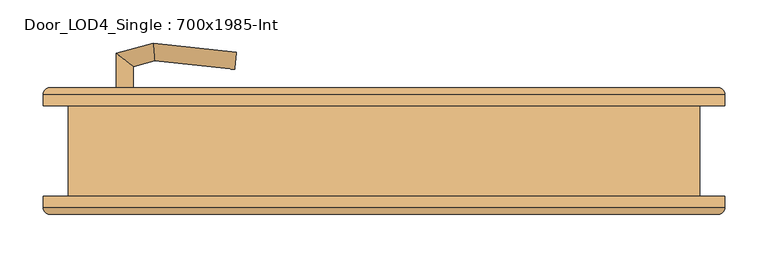
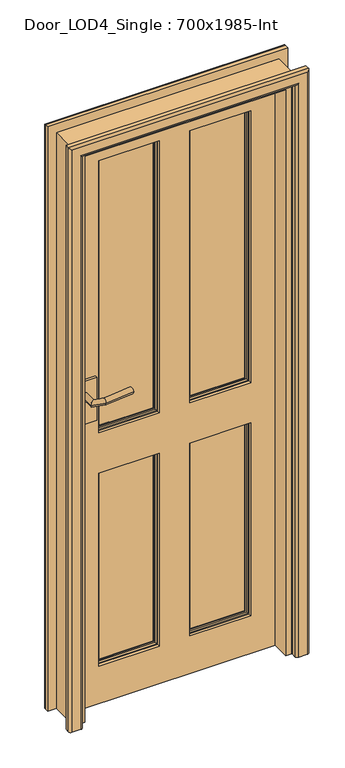
"""IFC4 building model written with IfcOpenShell, lengths in millimetres: door geometry, Door_LOD4_Single : 700x1985-Int."""

from ifc_helpers import new_model, si_unit, frame, origin, place, context, project, spatial, polyline, circle_curve, ellipse_curve, outline, extrude, faceted_brep, source, transform, mapped, element, save
from ifc_brep_helpers import plane_surface, cylinder_surface, advanced_brep


def door_lod4_single_700x1985_int_3958c648(model_context):
    return source(origin(), model_context, "Body", "SolidModel", [
        advanced_brep(
        [(250.000014, 22.5, 130.0), (250.000014, 22.5, 800.0), (50.0, 22.5, 800.0), (50.0, 22.5, 130.0), (53.6443449, 22.5, 133.6443449), (53.6443449, 22.5, 796.3556551), (246.3556691, 22.5, 796.3556551), (246.3556691, 22.5, 133.6443449), (250.000014, 42.5, 130.0), (50.0, 42.5, 130.0), (50.0, 42.5, 800.0), (250.000014, 42.5, 800.0), (53.6443449, 42.5, 796.3556551), (53.6443449, 42.5, 133.6443449), (246.3556691, 42.5, 133.6443449), (246.3556691, 42.5, 796.3556551), (60.5, 34.8125, 789.5), (60.5, 34.8125, 140.5), (60.5, 37.8125, 140.5), (60.5, 37.8125, 789.5), (239.500014, 34.8125, 140.5), (239.500014, 37.8125, 140.5), (239.500014, 34.8125, 789.5), (239.500014, 37.8125, 789.5), (55.9375, 37.8125, 135.9375), (55.9375, 37.8125, 794.0625), (244.062514, 37.8125, 794.0625), (244.062514, 37.8125, 135.9375), (60.5, 27.1875, 789.5), (60.5, 27.1875, 140.5), (60.5, 30.1875, 140.5), (60.5, 30.1875, 789.5), (239.500014, 27.1875, 140.5), (239.500014, 30.1875, 140.5), (239.500014, 27.1875, 789.5), (239.500014, 30.1875, 789.5), (55.9375, 27.1875, 794.0625), (55.9375, 27.1875, 135.9375), (244.062514, 27.1875, 135.9375), (244.062514, 27.1875, 794.0625)],
        [
            (0, 1),
            (1, 2),
            (2, 3),
            (3, 0),
            (4, 5),
            (5, 6),
            (6, 7),
            (7, 4),
            (8, 9),
            (9, 10),
            (10, 11),
            (11, 8),
            (12, 13),
            (13, 14),
            (14, 15),
            (15, 12),
            (0, 8),
            (11, 1),
            (10, 2),
            (9, 3),
            (16, 17),
            (17, 18),
            (18, 19),
            (19, 16),
            (17, 20),
            (20, 21),
            (21, 18),
            (20, 22),
            (22, 23),
            (23, 21),
            (24, 25),
            (25, 26),
            (26, 27),
            (27, 24),
            (23, 19),
            (22, 16),
            (24, 13, ellipse_curve(frame((50.0, 37.8125, 130.0), z_axis=(-0.7071067811865475, 0.0, 0.7071067811865475), x_axis=(-0.7071067811865474, 0.0, -0.7071067811865476)), 8.396893, 5.9375)),
            (12, 25, ellipse_curve(frame((50.0, 37.8125, 800.0), z_axis=(-0.7071067811865475, 0.0, -0.7071067811865475), x_axis=(0.7071067811865474, 0.0, -0.7071067811865476)), 8.396893, 5.9375)),
            (27, 14, ellipse_curve(frame((250.000014, 37.8125, 130.0), z_axis=(-0.7071067811865475, 0.0, -0.7071067811865475), x_axis=(0.7071067811865476, 0.0, -0.7071067811865474)), 8.396893, 5.9375)),
            (26, 15, ellipse_curve(frame((250.000014, 37.8125, 800.0), z_axis=(0.7071067811865475, 0.0, -0.7071067811865475), x_axis=(0.7071067811865474, 0.0, 0.7071067811865476)), 8.396893, 5.9375)),
            (28, 29),
            (29, 30),
            (30, 31),
            (31, 28),
            (29, 32),
            (32, 33),
            (33, 30),
            (32, 34),
            (34, 35),
            (35, 33),
            (36, 37),
            (37, 38),
            (38, 39),
            (39, 36),
            (28, 34),
            (31, 35),
            (36, 5, ellipse_curve(frame((50.0, 27.1875, 800.0), z_axis=(-0.7071067811865475, 0.0, -0.7071067811865475), x_axis=(0.7071067811865474, 0.0, -0.7071067811865476)), 8.396893, 5.9375)),
            (4, 37, ellipse_curve(frame((50.0, 27.1875, 130.0), z_axis=(-0.7071067811865475, 0.0, 0.7071067811865475), x_axis=(-0.7071067811865474, 0.0, -0.7071067811865476)), 8.396893, 5.9375)),
            (7, 38, ellipse_curve(frame((250.000014, 27.1875, 130.0), z_axis=(-0.7071067811865475, 0.0, -0.7071067811865475), x_axis=(0.7071067811865476, 0.0, -0.7071067811865474)), 8.396893, 5.9375)),
            (6, 39, ellipse_curve(frame((250.000014, 27.1875, 800.0), z_axis=(0.7071067811865475, 0.0, -0.7071067811865475), x_axis=(0.7071067811865474, 0.0, 0.7071067811865476)), 8.396893, 5.9375)),
        ],
        [
            plane_surface(frame((250.000014, 22.5, 130.0), z_axis=(0.0, -1.0, 0.0), x_axis=(0.0, 0.0, 1.0))),
            plane_surface(frame((250.000014, 42.5, 130.0), z_axis=(0.0, 1.0, 0.0), x_axis=(0.0, 0.0, -1.0))),
            plane_surface(frame((250.000014, 22.5, 130.0), z_axis=(1.0, 0.0, 0.0), x_axis=(0.0, 1.0, 0.0))),
            plane_surface(frame((250.000014, 22.5, 800.0), z_axis=(0.0, 0.0, 1.0), x_axis=(0.0, 1.0, 0.0))),
            plane_surface(frame((50.0, 22.5, 800.0), z_axis=(-1.0, 0.0, 0.0), x_axis=(0.0, 1.0, 0.0))),
            plane_surface(frame((50.0, 22.5, 130.0), z_axis=(0.0, 0.0, -1.0), x_axis=(0.0, 1.0, 0.0))),
            plane_surface(frame((60.5, 37.8125, 789.5), z_axis=(1.0, 0.0, 0.0), x_axis=(0.0, 0.0, -1.0))),
            plane_surface(frame((60.5, 37.8125, 140.5), z_axis=(0.0, 0.0, 1.0), x_axis=(1.0, 0.0, 0.0))),
            plane_surface(frame((239.500014, 37.8125, 140.5), z_axis=(-1.0, 0.0, 0.0), x_axis=(0.0, 0.0, 1.0))),
            plane_surface(frame((244.062514, 37.8125, 794.0625), z_axis=(0.0, 1.0, 0.0), x_axis=(-1.0, 0.0, 0.0))),
            plane_surface(frame((239.500014, 37.8125, 789.5), z_axis=(0.0, 0.0, -1.0), x_axis=(-1.0, 0.0, 0.0))),
            plane_surface(frame((239.500014, 34.8125, 789.5), z_axis=(0.0, 1.0, 0.0), x_axis=(-1.0, 0.0, 0.0))),
            cylinder_surface(frame((50.0, 37.8125, 800.0), z_axis=(0.0, 0.0, -1.0), x_axis=(-1.0, 0.0, 0.0)), 5.9375),
            cylinder_surface(frame((50.0, 37.8125, 130.0), z_axis=(1.0, 0.0, 0.0), x_axis=(0.0, 0.0, -1.0)), 5.9375),
            cylinder_surface(frame((250.000014, 37.8125, 130.0), z_axis=(0.0, 0.0, 1.0), x_axis=(1.0, 0.0, 0.0)), 5.9375),
            cylinder_surface(frame((250.000014, 37.8125, 800.0), z_axis=(-1.0, 0.0, 0.0), x_axis=(0.0, 0.0, 1.0)), 5.9375),
            plane_surface(frame((60.5, 30.1875, 789.5), z_axis=(1.0, 0.0, 0.0), x_axis=(0.0, 0.0, -1.0))),
            plane_surface(frame((60.5, 30.1875, 140.5), z_axis=(0.0, 0.0, 1.0), x_axis=(1.0, 0.0, 0.0))),
            plane_surface(frame((239.500014, 30.1875, 140.5), z_axis=(-1.0, 0.0, 0.0), x_axis=(0.0, 0.0, 1.0))),
            plane_surface(frame((239.500014, 27.1875, 789.5), z_axis=(0.0, -1.0, 0.0), x_axis=(-1.0, 0.0, 0.0))),
            plane_surface(frame((239.500014, 30.1875, 789.5), z_axis=(0.0, 0.0, -1.0), x_axis=(-1.0, 0.0, 0.0))),
            plane_surface(frame((216.5442616, 30.1875, 766.5442476), z_axis=(0.0, -1.0, 0.0), x_axis=(-1.0, 0.0, 0.0))),
            cylinder_surface(frame((50.0, 27.1875, 800.0), z_axis=(0.0, 0.0, -1.0), x_axis=(1.0, 0.0, 0.0)), 5.9375),
            cylinder_surface(frame((50.0, 27.1875, 130.0), z_axis=(1.0, 0.0, 0.0), x_axis=(0.0, 0.0, 1.0)), 5.9375),
            cylinder_surface(frame((250.000014, 27.1875, 130.0), z_axis=(0.0, 0.0, 1.0), x_axis=(-1.0, 0.0, 0.0)), 5.9375),
            cylinder_surface(frame((250.000014, 27.1875, 800.0), z_axis=(-1.0, 0.0, 0.0), x_axis=(0.0, 0.0, -1.0)), 5.9375),
        ],
        [
            (0, [[1, 2, 3, 4], [5, 6, 7, 8]]),
            (1, [[9, 10, 11, 12], [13, 14, 15, 16]]),
            (2, [[-1, 17, -12, 18]]),
            (3, [[-2, -18, -11, 19]]),
            (4, [[-3, -19, -10, 20]]),
            (5, [[-4, -20, -9, -17]]),
            (6, [[21, 22, 23, 24]]),
            (7, [[-22, 25, 26, 27]]),
            (8, [[-26, 28, 29, 30]]),
            (9, [[31, 32, 33, 34], [-23, -27, -30, 35]]),
            (10, [[-24, -35, -29, 36]]),
            (11, [[-21, -36, -28, -25]]),
            (12, [[-31, 37, -13, 38]]),
            (13, [[-34, 39, -14, -37]]),
            (14, [[-33, 40, -15, -39]]),
            (15, [[-32, -38, -16, -40]]),
            (16, [[41, 42, 43, 44]]),
            (17, [[-42, 45, 46, 47]]),
            (18, [[-46, 48, 49, 50]]),
            (19, [[51, 52, 53, 54], [-41, 55, -48, -45]]),
            (20, [[-44, 56, -49, -55]]),
            (21, [[-43, -47, -50, -56]]),
            (22, [[-51, 57, -5, 58]]),
            (23, [[-52, -58, -8, 59]]),
            (24, [[-53, -59, -7, 60]]),
            (25, [[-54, -60, -6, -57]]),
        ],
    ),
        advanced_brep(
        [(-50.0, 22.5, 130.0), (-50.0, 22.5, 800.0), (-250.000014, 22.5, 800.0), (-250.000014, 22.5, 130.0), (-246.3556691, 22.5, 133.6443449), (-246.3556691, 22.5, 796.3556551), (-53.6443449, 22.5, 796.3556551), (-53.6443449, 22.5, 133.6443449), (-50.0, 42.5, 130.0), (-250.000014, 42.5, 130.0), (-250.000014, 42.5, 800.0), (-50.0, 42.5, 800.0), (-246.3556691, 42.5, 796.3556551), (-246.3556691, 42.5, 133.6443449), (-53.6443449, 42.5, 133.6443449), (-53.6443449, 42.5, 796.3556551), (-239.500014, 34.8125, 789.5), (-239.500014, 34.8125, 140.5), (-239.500014, 37.8125, 140.5), (-239.500014, 37.8125, 789.5), (-60.5, 34.8125, 140.5), (-60.5, 37.8125, 140.5), (-60.5, 34.8125, 789.5), (-60.5, 37.8125, 789.5), (-244.062514, 37.8125, 135.9375), (-244.062514, 37.8125, 794.0625), (-55.9375, 37.8125, 794.0625), (-55.9375, 37.8125, 135.9375), (-239.500014, 27.1875, 789.5), (-239.500014, 27.1875, 140.5), (-239.500014, 30.1875, 140.5), (-239.500014, 30.1875, 789.5), (-60.5, 27.1875, 140.5), (-60.5, 30.1875, 140.5), (-60.5, 27.1875, 789.5), (-60.5, 30.1875, 789.5), (-244.062514, 27.1875, 794.0625), (-244.062514, 27.1875, 135.9375), (-55.9375, 27.1875, 135.9375), (-55.9375, 27.1875, 794.0625)],
        [
            (0, 1),
            (1, 2),
            (2, 3),
            (3, 0),
            (4, 5),
            (5, 6),
            (6, 7),
            (7, 4),
            (8, 9),
            (9, 10),
            (10, 11),
            (11, 8),
            (12, 13),
            (13, 14),
            (14, 15),
            (15, 12),
            (0, 8),
            (11, 1),
            (10, 2),
            (9, 3),
            (16, 17),
            (17, 18),
            (18, 19),
            (19, 16),
            (17, 20),
            (20, 21),
            (21, 18),
            (20, 22),
            (22, 23),
            (23, 21),
            (24, 25),
            (25, 26),
            (26, 27),
            (27, 24),
            (23, 19),
            (22, 16),
            (24, 13, ellipse_curve(frame((-250.000014, 37.8125, 130.0), z_axis=(-0.7071067811865475, 0.0, 0.7071067811865475), x_axis=(-0.7071067811865474, 0.0, -0.7071067811865476)), 8.396893, 5.9375)),
            (12, 25, ellipse_curve(frame((-250.000014, 37.8125, 800.0), z_axis=(-0.7071067811865475, 0.0, -0.7071067811865475), x_axis=(0.7071067811865474, 0.0, -0.7071067811865476)), 8.396893, 5.9375)),
            (27, 14, ellipse_curve(frame((-50.0, 37.8125, 130.0), z_axis=(-0.7071067811865475, 0.0, -0.7071067811865475), x_axis=(0.7071067811865476, 0.0, -0.7071067811865474)), 8.396893, 5.9375)),
            (26, 15, ellipse_curve(frame((-50.0, 37.8125, 800.0), z_axis=(0.7071067811865475, 0.0, -0.7071067811865475), x_axis=(0.7071067811865474, 0.0, 0.7071067811865476)), 8.396893, 5.9375)),
            (28, 29),
            (29, 30),
            (30, 31),
            (31, 28),
            (29, 32),
            (32, 33),
            (33, 30),
            (32, 34),
            (34, 35),
            (35, 33),
            (36, 37),
            (37, 38),
            (38, 39),
            (39, 36),
            (28, 34),
            (31, 35),
            (36, 5, ellipse_curve(frame((-250.000014, 27.1875, 800.0), z_axis=(-0.7071067811865475, 0.0, -0.7071067811865475), x_axis=(0.7071067811865474, 0.0, -0.7071067811865476)), 8.396893, 5.9375)),
            (4, 37, ellipse_curve(frame((-250.000014, 27.1875, 130.0), z_axis=(-0.7071067811865475, 0.0, 0.7071067811865475), x_axis=(-0.7071067811865474, 0.0, -0.7071067811865476)), 8.396893, 5.9375)),
            (7, 38, ellipse_curve(frame((-50.0, 27.1875, 130.0), z_axis=(-0.7071067811865475, 0.0, -0.7071067811865475), x_axis=(0.7071067811865476, 0.0, -0.7071067811865474)), 8.396893, 5.9375)),
            (6, 39, ellipse_curve(frame((-50.0, 27.1875, 800.0), z_axis=(0.7071067811865475, 0.0, -0.7071067811865475), x_axis=(0.7071067811865474, 0.0, 0.7071067811865476)), 8.396893, 5.9375)),
        ],
        [
            plane_surface(frame((-50.0, 22.5, 130.0), z_axis=(0.0, -1.0, 0.0), x_axis=(0.0, 0.0, 1.0))),
            plane_surface(frame((-50.0, 42.5, 130.0), z_axis=(0.0, 1.0, 0.0), x_axis=(0.0, 0.0, -1.0))),
            plane_surface(frame((-50.0, 22.5, 130.0), z_axis=(1.0, 0.0, 0.0), x_axis=(0.0, 1.0, 0.0))),
            plane_surface(frame((-50.0, 22.5, 800.0), z_axis=(0.0, 0.0, 1.0), x_axis=(0.0, 1.0, 0.0))),
            plane_surface(frame((-250.000014, 22.5, 800.0), z_axis=(-1.0, 0.0, 0.0), x_axis=(0.0, 1.0, 0.0))),
            plane_surface(frame((-250.000014, 22.5, 130.0), z_axis=(0.0, 0.0, -1.0), x_axis=(0.0, 1.0, 0.0))),
            plane_surface(frame((-239.500014, 37.8125, 789.5), z_axis=(1.0, 0.0, 0.0), x_axis=(0.0, 0.0, -1.0))),
            plane_surface(frame((-239.500014, 37.8125, 140.5), z_axis=(0.0, 0.0, 1.0), x_axis=(1.0, 0.0, 0.0))),
            plane_surface(frame((-60.5, 37.8125, 140.5), z_axis=(-1.0, 0.0, 0.0), x_axis=(0.0, 0.0, 1.0))),
            plane_surface(frame((-55.9375, 37.8125, 794.0625), z_axis=(0.0, 1.0, 0.0), x_axis=(-1.0, 0.0, 0.0))),
            plane_surface(frame((-60.5, 37.8125, 789.5), z_axis=(0.0, 0.0, -1.0), x_axis=(-1.0, 0.0, 0.0))),
            plane_surface(frame((-60.5, 34.8125, 789.5), z_axis=(0.0, 1.0, 0.0), x_axis=(-1.0, 0.0, 0.0))),
            cylinder_surface(frame((-250.000014, 37.8125, 800.0), z_axis=(0.0, 0.0, -1.0), x_axis=(-1.0, 0.0, 0.0)), 5.9375),
            cylinder_surface(frame((-250.000014, 37.8125, 130.0), z_axis=(1.0, 0.0, 0.0), x_axis=(0.0, 0.0, -1.0)), 5.9375),
            cylinder_surface(frame((-50.0, 37.8125, 130.0), z_axis=(0.0, 0.0, 1.0), x_axis=(1.0, 0.0, 0.0)), 5.9375),
            cylinder_surface(frame((-50.0, 37.8125, 800.0), z_axis=(-1.0, 0.0, 0.0), x_axis=(0.0, 0.0, 1.0)), 5.9375),
            plane_surface(frame((-239.500014, 30.1875, 789.5), z_axis=(1.0, 0.0, 0.0), x_axis=(0.0, 0.0, -1.0))),
            plane_surface(frame((-239.500014, 30.1875, 140.5), z_axis=(0.0, 0.0, 1.0), x_axis=(1.0, 0.0, 0.0))),
            plane_surface(frame((-60.5, 30.1875, 140.5), z_axis=(-1.0, 0.0, 0.0), x_axis=(0.0, 0.0, 1.0))),
            plane_surface(frame((-60.5, 27.1875, 789.5), z_axis=(0.0, -1.0, 0.0), x_axis=(-1.0, 0.0, 0.0))),
            plane_surface(frame((-60.5, 30.1875, 789.5), z_axis=(0.0, 0.0, -1.0), x_axis=(-1.0, 0.0, 0.0))),
            plane_surface(frame((-83.4557524, 30.1875, 766.5442476), z_axis=(0.0, -1.0, 0.0), x_axis=(-1.0, 0.0, 0.0))),
            cylinder_surface(frame((-250.000014, 27.1875, 800.0), z_axis=(0.0, 0.0, -1.0), x_axis=(1.0, 0.0, 0.0)), 5.9375),
            cylinder_surface(frame((-250.000014, 27.1875, 130.0), z_axis=(1.0, 0.0, 0.0), x_axis=(0.0, 0.0, 1.0)), 5.9375),
            cylinder_surface(frame((-50.0, 27.1875, 130.0), z_axis=(0.0, 0.0, 1.0), x_axis=(-1.0, 0.0, 0.0)), 5.9375),
            cylinder_surface(frame((-50.0, 27.1875, 800.0), z_axis=(-1.0, 0.0, 0.0), x_axis=(0.0, 0.0, -1.0)), 5.9375),
        ],
        [
            (0, [[1, 2, 3, 4], [5, 6, 7, 8]]),
            (1, [[9, 10, 11, 12], [13, 14, 15, 16]]),
            (2, [[-1, 17, -12, 18]]),
            (3, [[-2, -18, -11, 19]]),
            (4, [[-3, -19, -10, 20]]),
            (5, [[-4, -20, -9, -17]]),
            (6, [[21, 22, 23, 24]]),
            (7, [[-22, 25, 26, 27]]),
            (8, [[-26, 28, 29, 30]]),
            (9, [[31, 32, 33, 34], [-23, -27, -30, 35]]),
            (10, [[-24, -35, -29, 36]]),
            (11, [[-21, -36, -28, -25]]),
            (12, [[-31, 37, -13, 38]]),
            (13, [[-34, 39, -14, -37]]),
            (14, [[-33, 40, -15, -39]]),
            (15, [[-32, -38, -16, -40]]),
            (16, [[41, 42, 43, 44]]),
            (17, [[-42, 45, 46, 47]]),
            (18, [[-46, 48, 49, 50]]),
            (19, [[51, 52, 53, 54], [-41, 55, -48, -45]]),
            (20, [[-44, 56, -49, -55]]),
            (21, [[-43, -47, -50, -56]]),
            (22, [[-51, 57, -5, 58]]),
            (23, [[-52, -58, -8, 59]]),
            (24, [[-53, -59, -7, 60]]),
            (25, [[-54, -60, -6, -57]]),
        ],
    ),
        advanced_brep(
        [(250.000014, 22.5, 940.0), (250.000014, 22.5, 1885.0000795), (50.0, 22.5, 1885.0000795), (50.0, 22.5, 940.0), (53.6443449, 22.5, 943.6443449), (53.6443449, 22.5, 1881.3557346), (246.3556691, 22.5, 1881.3557346), (246.3556691, 22.5, 943.6443449), (250.000014, 42.5, 940.0), (50.0, 42.5, 940.0), (50.0, 42.5, 1885.0000795), (250.000014, 42.5, 1885.0000795), (53.6443449, 42.5, 1881.3557346), (53.6443449, 42.5, 943.6443449), (246.3556691, 42.5, 943.6443449), (246.3556691, 42.5, 1881.3557346), (60.5, 34.8125, 1874.5000795), (60.5, 34.8125, 950.5), (60.5, 37.8125, 950.5), (60.5, 37.8125, 1874.5000795), (239.500014, 34.8125, 950.5), (239.500014, 37.8125, 950.5), (239.500014, 34.8125, 1874.5000795), (239.500014, 37.8125, 1874.5000795), (55.9375, 37.8125, 945.9375), (55.9375, 37.8125, 1879.0625795), (244.062514, 37.8125, 1879.0625795), (244.062514, 37.8125, 945.9375), (60.5, 27.1875, 1874.5000795), (60.5, 27.1875, 950.5), (60.5, 30.1875, 950.5), (60.5, 30.1875, 1874.5000795), (239.500014, 27.1875, 950.5), (239.500014, 30.1875, 950.5), (239.500014, 27.1875, 1874.5000795), (239.500014, 30.1875, 1874.5000795), (55.9375, 27.1875, 1879.0625795), (55.9375, 27.1875, 945.9375), (244.062514, 27.1875, 945.9375), (244.062514, 27.1875, 1879.0625795)],
        [
            (0, 1),
            (1, 2),
            (2, 3),
            (3, 0),
            (4, 5),
            (5, 6),
            (6, 7),
            (7, 4),
            (8, 9),
            (9, 10),
            (10, 11),
            (11, 8),
            (12, 13),
            (13, 14),
            (14, 15),
            (15, 12),
            (0, 8),
            (11, 1),
            (10, 2),
            (9, 3),
            (16, 17),
            (17, 18),
            (18, 19),
            (19, 16),
            (17, 20),
            (20, 21),
            (21, 18),
            (20, 22),
            (22, 23),
            (23, 21),
            (24, 25),
            (25, 26),
            (26, 27),
            (27, 24),
            (23, 19),
            (22, 16),
            (24, 13, ellipse_curve(frame((50.0, 37.8125, 940.0), z_axis=(-0.7071067811865475, 0.0, 0.7071067811865475), x_axis=(-0.7071067811865474, 0.0, -0.7071067811865476)), 8.396893, 5.9375)),
            (12, 25, ellipse_curve(frame((50.0, 37.8125, 1885.0000795), z_axis=(-0.7071067811865475, 0.0, -0.7071067811865475), x_axis=(0.7071067811865474, 0.0, -0.7071067811865476)), 8.396893, 5.9375)),
            (27, 14, ellipse_curve(frame((250.000014, 37.8125, 940.0), z_axis=(-0.7071067811865475, 0.0, -0.7071067811865475), x_axis=(0.7071067811865476, 0.0, -0.7071067811865474)), 8.396893, 5.9375)),
            (26, 15, ellipse_curve(frame((250.000014, 37.8125, 1885.0000795), z_axis=(0.7071067811865475, 0.0, -0.7071067811865475), x_axis=(0.7071067811865474, 0.0, 0.7071067811865476)), 8.396893, 5.9375)),
            (28, 29),
            (29, 30),
            (30, 31),
            (31, 28),
            (29, 32),
            (32, 33),
            (33, 30),
            (32, 34),
            (34, 35),
            (35, 33),
            (36, 37),
            (37, 38),
            (38, 39),
            (39, 36),
            (28, 34),
            (31, 35),
            (36, 5, ellipse_curve(frame((50.0, 27.1875, 1885.0000795), z_axis=(-0.7071067811865475, 0.0, -0.7071067811865475), x_axis=(0.7071067811865474, 0.0, -0.7071067811865476)), 8.396893, 5.9375)),
            (4, 37, ellipse_curve(frame((50.0, 27.1875, 940.0), z_axis=(-0.7071067811865475, 0.0, 0.7071067811865475), x_axis=(-0.7071067811865474, 0.0, -0.7071067811865476)), 8.396893, 5.9375)),
            (7, 38, ellipse_curve(frame((250.000014, 27.1875, 940.0), z_axis=(-0.7071067811865475, 0.0, -0.7071067811865475), x_axis=(0.7071067811865476, 0.0, -0.7071067811865474)), 8.396893, 5.9375)),
            (6, 39, ellipse_curve(frame((250.000014, 27.1875, 1885.0000795), z_axis=(0.7071067811865475, 0.0, -0.7071067811865475), x_axis=(0.7071067811865474, 0.0, 0.7071067811865476)), 8.396893, 5.9375)),
        ],
        [
            plane_surface(frame((250.000014, 22.5, 940.0), z_axis=(0.0, -1.0, 0.0), x_axis=(0.0, 0.0, 1.0))),
            plane_surface(frame((250.000014, 42.5, 940.0), z_axis=(0.0, 1.0, 0.0), x_axis=(0.0, 0.0, -1.0))),
            plane_surface(frame((250.000014, 22.5, 940.0), z_axis=(1.0, 0.0, 0.0), x_axis=(0.0, 1.0, 0.0))),
            plane_surface(frame((250.000014, 22.5, 1885.0000795), z_axis=(0.0, 0.0, 1.0), x_axis=(0.0, 1.0, 0.0))),
            plane_surface(frame((50.0, 22.5, 1885.0000795), z_axis=(-1.0, 0.0, 0.0), x_axis=(0.0, 1.0, 0.0))),
            plane_surface(frame((50.0, 22.5, 940.0), z_axis=(0.0, 0.0, -1.0), x_axis=(0.0, 1.0, 0.0))),
            plane_surface(frame((60.5, 37.8125, 1874.5000795), z_axis=(1.0, 0.0, 0.0), x_axis=(0.0, 0.0, -1.0))),
            plane_surface(frame((60.5, 37.8125, 950.5), z_axis=(0.0, 0.0, 1.0), x_axis=(1.0, 0.0, 0.0))),
            plane_surface(frame((239.500014, 37.8125, 950.5), z_axis=(-1.0, 0.0, 0.0), x_axis=(0.0, 0.0, 1.0))),
            plane_surface(frame((244.062514, 37.8125, 1879.0625795), z_axis=(0.0, 1.0, 0.0), x_axis=(-1.0, 0.0, 0.0))),
            plane_surface(frame((239.500014, 37.8125, 1874.5000795), z_axis=(0.0, 0.0, -1.0), x_axis=(-1.0, 0.0, 0.0))),
            plane_surface(frame((239.500014, 34.8125, 1874.5000795), z_axis=(0.0, 1.0, 0.0), x_axis=(-1.0, 0.0, 0.0))),
            cylinder_surface(frame((50.0, 37.8125, 1885.0000795), z_axis=(0.0, 0.0, -1.0), x_axis=(-1.0, 0.0, 0.0)), 5.9375),
            cylinder_surface(frame((50.0, 37.8125, 940.0), z_axis=(1.0, 0.0, 0.0), x_axis=(0.0, 0.0, -1.0)), 5.9375),
            cylinder_surface(frame((250.000014, 37.8125, 940.0), z_axis=(0.0, 0.0, 1.0), x_axis=(1.0, 0.0, 0.0)), 5.9375),
            cylinder_surface(frame((250.000014, 37.8125, 1885.0000795), z_axis=(-1.0, 0.0, 0.0), x_axis=(0.0, 0.0, 1.0)), 5.9375),
            plane_surface(frame((60.5, 30.1875, 1874.5000795), z_axis=(1.0, 0.0, 0.0), x_axis=(0.0, 0.0, -1.0))),
            plane_surface(frame((60.5, 30.1875, 950.5), z_axis=(0.0, 0.0, 1.0), x_axis=(1.0, 0.0, 0.0))),
            plane_surface(frame((239.500014, 30.1875, 950.5), z_axis=(-1.0, 0.0, 0.0), x_axis=(0.0, 0.0, 1.0))),
            plane_surface(frame((239.500014, 27.1875, 1874.5000795), z_axis=(0.0, -1.0, 0.0), x_axis=(-1.0, 0.0, 0.0))),
            plane_surface(frame((239.500014, 30.1875, 1874.5000795), z_axis=(0.0, 0.0, -1.0), x_axis=(-1.0, 0.0, 0.0))),
            plane_surface(frame((216.5442616, 30.1875, 1851.5443271), z_axis=(0.0, -1.0, 0.0), x_axis=(-1.0, 0.0, 0.0))),
            cylinder_surface(frame((50.0, 27.1875, 1885.0000795), z_axis=(0.0, 0.0, -1.0), x_axis=(1.0, 0.0, 0.0)), 5.9375),
            cylinder_surface(frame((50.0, 27.1875, 940.0), z_axis=(1.0, 0.0, 0.0), x_axis=(0.0, 0.0, 1.0)), 5.9375),
            cylinder_surface(frame((250.000014, 27.1875, 940.0), z_axis=(0.0, 0.0, 1.0), x_axis=(-1.0, 0.0, 0.0)), 5.9375),
            cylinder_surface(frame((250.000014, 27.1875, 1885.0000795), z_axis=(-1.0, 0.0, 0.0), x_axis=(0.0, 0.0, -1.0)), 5.9375),
        ],
        [
            (0, [[1, 2, 3, 4], [5, 6, 7, 8]]),
            (1, [[9, 10, 11, 12], [13, 14, 15, 16]]),
            (2, [[-1, 17, -12, 18]]),
            (3, [[-2, -18, -11, 19]]),
            (4, [[-3, -19, -10, 20]]),
            (5, [[-4, -20, -9, -17]]),
            (6, [[21, 22, 23, 24]]),
            (7, [[-22, 25, 26, 27]]),
            (8, [[-26, 28, 29, 30]]),
            (9, [[31, 32, 33, 34], [-23, -27, -30, 35]]),
            (10, [[-24, -35, -29, 36]]),
            (11, [[-21, -36, -28, -25]]),
            (12, [[-31, 37, -13, 38]]),
            (13, [[-34, 39, -14, -37]]),
            (14, [[-33, 40, -15, -39]]),
            (15, [[-32, -38, -16, -40]]),
            (16, [[41, 42, 43, 44]]),
            (17, [[-42, 45, 46, 47]]),
            (18, [[-46, 48, 49, 50]]),
            (19, [[51, 52, 53, 54], [-41, 55, -48, -45]]),
            (20, [[-44, 56, -49, -55]]),
            (21, [[-43, -47, -50, -56]]),
            (22, [[-51, 57, -5, 58]]),
            (23, [[-52, -58, -8, 59]]),
            (24, [[-53, -59, -7, 60]]),
            (25, [[-54, -60, -6, -57]]),
        ],
    ),
        advanced_brep(
        [(-50.0, 22.5, 940.0), (-50.0, 22.5, 1885.0000795), (-250.000014, 22.5, 1885.0000795), (-250.000014, 22.5, 940.0), (-246.3556691, 22.5, 943.6443449), (-246.3556691, 22.5, 1881.3557346), (-53.6443449, 22.5, 1881.3557346), (-53.6443449, 22.5, 943.6443449), (-50.0, 42.5, 940.0), (-250.000014, 42.5, 940.0), (-250.000014, 42.5, 1885.0000795), (-50.0, 42.5, 1885.0000795), (-246.3556691, 42.5, 1881.3557346), (-246.3556691, 42.5, 943.6443449), (-53.6443449, 42.5, 943.6443449), (-53.6443449, 42.5, 1881.3557346), (-239.500014, 34.8125, 1874.5000795), (-239.500014, 34.8125, 950.5), (-239.500014, 37.8125, 950.5), (-239.500014, 37.8125, 1874.5000795), (-60.5, 34.8125, 950.5), (-60.5, 37.8125, 950.5), (-60.5, 34.8125, 1874.5000795), (-60.5, 37.8125, 1874.5000795), (-244.062514, 37.8125, 945.9375), (-244.062514, 37.8125, 1879.0625795), (-55.9375, 37.8125, 1879.0625795), (-55.9375, 37.8125, 945.9375), (-239.500014, 27.1875, 1874.5000795), (-239.500014, 27.1875, 950.5), (-239.500014, 30.1875, 950.5), (-239.500014, 30.1875, 1874.5000795), (-60.5, 27.1875, 950.5), (-60.5, 30.1875, 950.5), (-60.5, 27.1875, 1874.5000795), (-60.5, 30.1875, 1874.5000795), (-244.062514, 27.1875, 1879.0625795), (-244.062514, 27.1875, 945.9375), (-55.9375, 27.1875, 945.9375), (-55.9375, 27.1875, 1879.0625795)],
        [
            (0, 1),
            (1, 2),
            (2, 3),
            (3, 0),
            (4, 5),
            (5, 6),
            (6, 7),
            (7, 4),
            (8, 9),
            (9, 10),
            (10, 11),
            (11, 8),
            (12, 13),
            (13, 14),
            (14, 15),
            (15, 12),
            (0, 8),
            (11, 1),
            (10, 2),
            (9, 3),
            (16, 17),
            (17, 18),
            (18, 19),
            (19, 16),
            (17, 20),
            (20, 21),
            (21, 18),
            (20, 22),
            (22, 23),
            (23, 21),
            (24, 25),
            (25, 26),
            (26, 27),
            (27, 24),
            (23, 19),
            (22, 16),
            (24, 13, ellipse_curve(frame((-250.000014, 37.8125, 940.0), z_axis=(-0.7071067811865475, 0.0, 0.7071067811865475), x_axis=(-0.7071067811865474, 0.0, -0.7071067811865476)), 8.396893, 5.9375)),
            (12, 25, ellipse_curve(frame((-250.000014, 37.8125, 1885.0000795), z_axis=(-0.7071067811865475, 0.0, -0.7071067811865475), x_axis=(0.7071067811865474, 0.0, -0.7071067811865476)), 8.396893, 5.9375)),
            (27, 14, ellipse_curve(frame((-50.0, 37.8125, 940.0), z_axis=(-0.7071067811865475, 0.0, -0.7071067811865475), x_axis=(0.7071067811865476, 0.0, -0.7071067811865474)), 8.396893, 5.9375)),
            (26, 15, ellipse_curve(frame((-50.0, 37.8125, 1885.0000795), z_axis=(0.7071067811865475, 0.0, -0.7071067811865475), x_axis=(0.7071067811865474, 0.0, 0.7071067811865476)), 8.396893, 5.9375)),
            (28, 29),
            (29, 30),
            (30, 31),
            (31, 28),
            (29, 32),
            (32, 33),
            (33, 30),
            (32, 34),
            (34, 35),
            (35, 33),
            (36, 37),
            (37, 38),
            (38, 39),
            (39, 36),
            (28, 34),
            (31, 35),
            (36, 5, ellipse_curve(frame((-250.000014, 27.1875, 1885.0000795), z_axis=(-0.7071067811865475, 0.0, -0.7071067811865475), x_axis=(0.7071067811865474, 0.0, -0.7071067811865476)), 8.396893, 5.9375)),
            (4, 37, ellipse_curve(frame((-250.000014, 27.1875, 940.0), z_axis=(-0.7071067811865475, 0.0, 0.7071067811865475), x_axis=(-0.7071067811865474, 0.0, -0.7071067811865476)), 8.396893, 5.9375)),
            (7, 38, ellipse_curve(frame((-50.0, 27.1875, 940.0), z_axis=(-0.7071067811865475, 0.0, -0.7071067811865475), x_axis=(0.7071067811865476, 0.0, -0.7071067811865474)), 8.396893, 5.9375)),
            (6, 39, ellipse_curve(frame((-50.0, 27.1875, 1885.0000795), z_axis=(0.7071067811865475, 0.0, -0.7071067811865475), x_axis=(0.7071067811865474, 0.0, 0.7071067811865476)), 8.396893, 5.9375)),
        ],
        [
            plane_surface(frame((-50.0, 22.5, 940.0), z_axis=(0.0, -1.0, 0.0), x_axis=(0.0, 0.0, 1.0))),
            plane_surface(frame((-50.0, 42.5, 940.0), z_axis=(0.0, 1.0, 0.0), x_axis=(0.0, 0.0, -1.0))),
            plane_surface(frame((-50.0, 22.5, 940.0), z_axis=(1.0, 0.0, 0.0), x_axis=(0.0, 1.0, 0.0))),
            plane_surface(frame((-50.0, 22.5, 1885.0000795), z_axis=(0.0, 0.0, 1.0), x_axis=(0.0, 1.0, 0.0))),
            plane_surface(frame((-250.000014, 22.5, 1885.0000795), z_axis=(-1.0, 0.0, 0.0), x_axis=(0.0, 1.0, 0.0))),
            plane_surface(frame((-250.000014, 22.5, 940.0), z_axis=(0.0, 0.0, -1.0), x_axis=(0.0, 1.0, 0.0))),
            plane_surface(frame((-239.500014, 37.8125, 1874.5000795), z_axis=(1.0, 0.0, 0.0), x_axis=(0.0, 0.0, -1.0))),
            plane_surface(frame((-239.500014, 37.8125, 950.5), z_axis=(0.0, 0.0, 1.0), x_axis=(1.0, 0.0, 0.0))),
            plane_surface(frame((-60.5, 37.8125, 950.5), z_axis=(-1.0, 0.0, 0.0), x_axis=(0.0, 0.0, 1.0))),
            plane_surface(frame((-55.9375, 37.8125, 1879.0625795), z_axis=(0.0, 1.0, 0.0), x_axis=(-1.0, 0.0, 0.0))),
            plane_surface(frame((-60.5, 37.8125, 1874.5000795), z_axis=(0.0, 0.0, -1.0), x_axis=(-1.0, 0.0, 0.0))),
            plane_surface(frame((-60.5, 34.8125, 1874.5000795), z_axis=(0.0, 1.0, 0.0), x_axis=(-1.0, 0.0, 0.0))),
            cylinder_surface(frame((-250.000014, 37.8125, 1885.0000795), z_axis=(0.0, 0.0, -1.0), x_axis=(-1.0, 0.0, 0.0)), 5.9375),
            cylinder_surface(frame((-250.000014, 37.8125, 940.0), z_axis=(1.0, 0.0, 0.0), x_axis=(0.0, 0.0, -1.0)), 5.9375),
            cylinder_surface(frame((-50.0, 37.8125, 940.0), z_axis=(0.0, 0.0, 1.0), x_axis=(1.0, 0.0, 0.0)), 5.9375),
            cylinder_surface(frame((-50.0, 37.8125, 1885.0000795), z_axis=(-1.0, 0.0, 0.0), x_axis=(0.0, 0.0, 1.0)), 5.9375),
            plane_surface(frame((-239.500014, 30.1875, 1874.5000795), z_axis=(1.0, 0.0, 0.0), x_axis=(0.0, 0.0, -1.0))),
            plane_surface(frame((-239.500014, 30.1875, 950.5), z_axis=(0.0, 0.0, 1.0), x_axis=(1.0, 0.0, 0.0))),
            plane_surface(frame((-60.5, 30.1875, 950.5), z_axis=(-1.0, 0.0, 0.0), x_axis=(0.0, 0.0, 1.0))),
            plane_surface(frame((-60.5, 27.1875, 1874.5000795), z_axis=(0.0, -1.0, 0.0), x_axis=(-1.0, 0.0, 0.0))),
            plane_surface(frame((-60.5, 30.1875, 1874.5000795), z_axis=(0.0, 0.0, -1.0), x_axis=(-1.0, 0.0, 0.0))),
            plane_surface(frame((-83.4557524, 30.1875, 1851.5443271), z_axis=(0.0, -1.0, 0.0), x_axis=(-1.0, 0.0, 0.0))),
            cylinder_surface(frame((-250.000014, 27.1875, 1885.0000795), z_axis=(0.0, 0.0, -1.0), x_axis=(1.0, 0.0, 0.0)), 5.9375),
            cylinder_surface(frame((-250.000014, 27.1875, 940.0), z_axis=(1.0, 0.0, 0.0), x_axis=(0.0, 0.0, 1.0)), 5.9375),
            cylinder_surface(frame((-50.0, 27.1875, 940.0), z_axis=(0.0, 0.0, 1.0), x_axis=(-1.0, 0.0, 0.0)), 5.9375),
            cylinder_surface(frame((-50.0, 27.1875, 1885.0000795), z_axis=(-1.0, 0.0, 0.0), x_axis=(0.0, 0.0, -1.0)), 5.9375),
        ],
        [
            (0, [[1, 2, 3, 4], [5, 6, 7, 8]]),
            (1, [[9, 10, 11, 12], [13, 14, 15, 16]]),
            (2, [[-1, 17, -12, 18]]),
            (3, [[-2, -18, -11, 19]]),
            (4, [[-3, -19, -10, 20]]),
            (5, [[-4, -20, -9, -17]]),
            (6, [[21, 22, 23, 24]]),
            (7, [[-22, 25, 26, 27]]),
            (8, [[-26, 28, 29, 30]]),
            (9, [[31, 32, 33, 34], [-23, -27, -30, 35]]),
            (10, [[-24, -35, -29, 36]]),
            (11, [[-21, -36, -28, -25]]),
            (12, [[-31, 37, -13, 38]]),
            (13, [[-34, 39, -14, -37]]),
            (14, [[-33, 40, -15, -39]]),
            (15, [[-32, -38, -16, -40]]),
            (16, [[41, 42, 43, 44]]),
            (17, [[-42, 45, 46, 47]]),
            (18, [[-46, 48, 49, 50]]),
            (19, [[51, 52, 53, 54], [-41, 55, -48, -45]]),
            (20, [[-44, 56, -49, -55]]),
            (21, [[-43, -47, -50, -56]]),
            (22, [[-51, 57, -5, 58]]),
            (23, [[-52, -58, -8, 59]]),
            (24, [[-53, -59, -7, 60]]),
            (25, [[-54, -60, -6, -57]]),
        ],
    ),
        extrude(outline(polyline([(1985.0000795, -350.000014), (0.0, -350.000014), (0.0, 350.000014), (1985.0000795, 350.000014), (1985.0000795, -350.000014)]), holes=[polyline([(800.0, 250.000014), (130.0, 250.000014), (130.0, 50.0), (800.0, 50.0), (800.0, 250.000014)]), polyline([(1885.0000795, 250.000014), (940.0, 250.000014), (940.0, 50.0), (1885.0000795, 50.0), (1885.0000795, 250.000014)]), polyline([(1885.0000795, -50.0), (940.0, -50.0), (940.0, -250.000014), (1885.0000795, -250.000014), (1885.0000795, -50.0)]), polyline([(800.0, -50.0), (130.0, -50.0), (130.0, -250.000014), (800.0, -250.000014), (800.0, -50.0)])]), frame((0.0, 12.5, 0.0), z_axis=(0.0, 1.0, 0.0), x_axis=(0.0, 0.0, 1.0)), (0.0, 0.0, 1.0), 40.0),
        advanced_brep(
        [(-310.000014, 4.5, 1092.5000397), (-290.000014, 4.5, 1092.5000397), (-290.000014, -32.8267301, 1092.5000397), (-310.000014, -48.1732699, 1092.5000397), (-265.3947981, -39.4196778, 1092.5000397), (-266.9904221, -59.6976553, 1092.5000397), (-170.6930697, -49.5736521, 1092.5000397), (-172.7841995, -29.6832731, 1092.5000397)],
        [
            (0, 1, circle_curve(frame((-300.000014, 4.5, 1092.5000397), z_axis=(0.0, 1.0, 0.0), x_axis=(1.0, 0.0, 0.0)), 10.0)),
            (1, 0, circle_curve(frame((-300.000014, 4.5, 1092.5000397), z_axis=(0.0, 1.0, 0.0), x_axis=(1.0, 0.0, 0.0)), 10.0)),
            (1, 2),
            (2, 3, ellipse_curve(frame((-300.000014, -40.5, 1092.5000397), z_axis=(-0.6087614290087403, 0.79335334029122, 0.0), x_axis=(0.7933533402912198, 0.6087614290087406, 0.0)), 12.6047241, 10.0)),
            (3, 0),
            (3, 2, ellipse_curve(frame((-300.000014, -40.5, 1092.5000397), z_axis=(-0.6087614290087403, 0.79335334029122, 0.0), x_axis=(0.7933533402912198, 0.6087614290087406, 0.0)), 12.6047241, 10.0)),
            (2, 4),
            (4, 5, ellipse_curve(frame((-266.1926101, -49.5586666, 1092.5000397), z_axis=(-0.9969184391323764, 0.07844504903348702, 0.0), x_axis=(0.07844504903348593, 0.9969184391323765, 0.0)), 10.1703292, 10.0)),
            (5, 3),
            (5, 4, ellipse_curve(frame((-266.1926101, -49.5586666, 1092.5000397), z_axis=(-0.9969184391323764, 0.07844504903348702, 0.0), x_axis=(0.07844504903348593, 0.9969184391323765, 0.0)), 10.1703292, 10.0)),
            (6, 7, circle_curve(frame((-171.7386346, -39.6284626, 1092.5000397), z_axis=(0.9945189493358518, 0.10455648909519343, 0.0), x_axis=(-0.10455648909519343, 0.9945189493358518, 0.0)), 10.0)),
            (7, 6, circle_curve(frame((-171.7386346, -39.6284626, 1092.5000397), z_axis=(0.9945189493358518, 0.10455648909519343, 0.0), x_axis=(-0.10455648909519343, 0.9945189493358518, 0.0)), 10.0)),
            (4, 7),
            (6, 5),
        ],
        [
            plane_surface(frame((-300.000014, 4.5, 1092.5000397), z_axis=(0.0, 1.0, 0.0), x_axis=(0.0, 0.0, 1.0))),
            cylinder_surface(frame((-300.000014, 4.5, 1092.5000397), z_axis=(0.0, 1.0, 0.0), x_axis=(1.0, 0.0, 0.0)), 10.0),
            cylinder_surface(frame((-300.000014, -40.5, 1092.5000397), z_axis=(-0.965925826289083, 0.2588190451024665, 0.0), x_axis=(0.2588190451024665, 0.965925826289083, 0.0)), 10.0),
            plane_surface(frame((-171.7386346, -39.6284626, 1092.5000397), z_axis=(0.9945189493358518, 0.10455648909519348, 0.0), x_axis=(0.0, 0.0, 1.0))),
            cylinder_surface(frame((-266.1926101, -49.5586666, 1092.5000397), z_axis=(-0.9945189493358518, -0.10455648909519343, 0.0), x_axis=(-0.10455648909519343, 0.9945189493358518, 0.0)), 10.0),
        ],
        [
            (0, [[1, 2]]),
            (1, [[3, 4, 5, -2]]),
            (1, [[-5, 6, -3, -1]]),
            (2, [[7, 8, 9, -4]]),
            (2, [[-9, 10, -7, -6]]),
            (3, [[11, 12]]),
            (4, [[13, -11, 14, -8]]),
            (4, [[-14, -12, -13, -10]]),
        ],
    ),
        extrude(outline(polyline([(-340.000014, 4.5), (-340.000014, 12.5), (-260.000014, 12.5), (-260.000014, 4.5), (-340.000014, 4.5)])), frame((0.0, 0.0, 992.5000397), z_axis=(0.0, 0.0, 1.0), x_axis=(1.0, 0.0, 0.0)), (0.0, 0.0, 1.0), 150.0),
        advanced_brep(
        [(-310.000014, 60.5, 1092.5000397), (-290.000014, 60.5, 1092.5000397), (-310.000014, 113.1732699, 1092.5000397), (-290.000014, 97.8267301, 1092.5000397), (-266.9904221, 124.6976553, 1092.5000397), (-265.3947981, 104.4196778, 1092.5000397), (-170.6930697, 114.5736521, 1092.5000397), (-172.7841995, 94.6832731, 1092.5000397)],
        [
            (0, 1, circle_curve(frame((-300.000014, 60.5, 1092.5000397), z_axis=(0.0, -1.0, 0.0), x_axis=(1.0, 0.0, 0.0)), 10.0)),
            (1, 0, circle_curve(frame((-300.000014, 60.5, 1092.5000397), z_axis=(0.0, -1.0, 0.0), x_axis=(1.0, 0.0, 0.0)), 10.0)),
            (0, 2),
            (2, 3, ellipse_curve(frame((-300.000014, 105.5, 1092.5000397), z_axis=(-0.6087614290087454, -0.793353340291216, 0.0), x_axis=(0.793353340291216, -0.6087614290087459, 0.0)), 12.6047241, 10.0)),
            (3, 1),
            (3, 2, ellipse_curve(frame((-300.000014, 105.5, 1092.5000397), z_axis=(-0.6087614290087454, -0.793353340291216, 0.0), x_axis=(0.793353340291216, -0.6087614290087459, 0.0)), 12.6047241, 10.0)),
            (2, 4),
            (4, 5, ellipse_curve(frame((-266.1926101, 114.5586666, 1092.5000397), z_axis=(-0.9969184391323771, -0.07844504903348057, 0.0), x_axis=(0.07844504903348166, -0.9969184391323769, 0.0)), 10.1703292, 10.0)),
            (5, 3),
            (5, 4, ellipse_curve(frame((-266.1926101, 114.5586666, 1092.5000397), z_axis=(-0.9969184391323771, -0.07844504903348057, 0.0), x_axis=(0.07844504903348166, -0.9969184391323769, 0.0)), 10.1703292, 10.0)),
            (6, 7, circle_curve(frame((-171.7386346, 104.6284626, 1092.5000397), z_axis=(0.9945189493358512, -0.10455648909519989, 0.0), x_axis=(-0.10455648909519989, -0.9945189493358512, 0.0)), 10.0)),
            (7, 6, circle_curve(frame((-171.7386346, 104.6284626, 1092.5000397), z_axis=(0.9945189493358512, -0.10455648909519989, 0.0), x_axis=(-0.10455648909519989, -0.9945189493358512, 0.0)), 10.0)),
            (4, 6),
            (7, 5),
        ],
        [
            plane_surface(frame((-300.000014, 60.5, 1092.5000397), z_axis=(0.0, -1.0, 0.0), x_axis=(0.0, 0.0, 1.0))),
            cylinder_surface(frame((-300.000014, 60.5, 1092.5000397), z_axis=(0.0, -1.0, 0.0), x_axis=(1.0, 0.0, 0.0)), 10.0),
            cylinder_surface(frame((-300.000014, 105.5, 1092.5000397), z_axis=(-0.9659258262890846, -0.25881904510246023, 0.0), x_axis=(0.25881904510246023, -0.9659258262890846, 0.0)), 10.0),
            plane_surface(frame((-171.7386346, 104.6284626, 1092.5000397), z_axis=(0.9945189493358512, -0.10455648909519995, 0.0), x_axis=(0.0, 0.0, 1.0))),
            cylinder_surface(frame((-266.1926101, 114.5586666, 1092.5000397), z_axis=(-0.9945189493358512, 0.10455648909519989, 0.0), x_axis=(-0.10455648909519989, -0.9945189493358512, 0.0)), 10.0),
        ],
        [
            (0, [[1, 2]]),
            (1, [[-1, 3, 4, 5]]),
            (1, [[-2, -5, 6, -3]]),
            (2, [[-4, 7, 8, 9]]),
            (2, [[-6, -9, 10, -7]]),
            (3, [[11, 12]]),
            (4, [[-8, 13, -12, 14]]),
            (4, [[-10, -14, -11, -13]]),
        ],
    ),
        extrude(outline(polyline([(-340.000014, 60.5), (-260.000014, 60.5), (-260.000014, 52.5), (-340.000014, 52.5), (-340.000014, 60.5)])), frame((0.0, 0.0, 992.5000397), z_axis=(0.0, 0.0, 1.0), x_axis=(1.0, 0.0, 0.0)), (0.0, 0.0, 1.0), 150.0),
        advanced_brep(
        [(350.000014, 65.1019651, 0.0), (350.000014, 52.5, 0.0), (350.000014, 52.5, 1985.0000795), (350.000014, 65.1019651, 1985.0000795), (358.1090996, 73.2110507, 1993.1091651), (-350.000014, 65.1019651, 1985.0000795), (-358.1090996, 73.2110507, 1993.1091651), (358.1090996, 73.2110507, 0.0), (386.8176164, 73.2110507, 0.0), (394.1946985, 65.8339685, 0.0), (394.1946985, 52.5, 0.0), (-350.000014, 52.5, 0.0), (-394.1946985, 52.5, 0.0), (-394.1946985, 65.8339685, 0.0), (-386.8176164, 73.2110507, 0.0), (-358.1090996, 73.2110507, 0.0), (-350.000014, 65.1019651, 0.0), (386.8176164, 73.2110507, 2021.8176818), (394.1946985, 65.8339685, 2029.194764), (394.1946985, 52.5, 2029.194764), (-394.1946985, 52.5, 2029.194764), (-350.000014, 52.5, 1985.0000795), (-386.8176164, 73.2110507, 2021.8176818), (-394.1946985, 65.8339685, 2029.194764)],
        [
            (0, 1),
            (1, 2),
            (2, 3),
            (3, 0),
            (4, 3, ellipse_curve(frame((358.1090996, 65.1019651, 1993.1091651), z_axis=(-0.7071067811865487, 0.0, 0.7071067811865464), x_axis=(0.7071067811865462, 0.0, 0.7071067811865487)), 11.4679788, 8.1090856)),
            (3, 5),
            (5, 6, ellipse_curve(frame((-358.1090996, 65.1019651, 1993.1091651), z_axis=(0.7071067811865464, 0.0, 0.7071067811865487), x_axis=(0.7071067811865487, 0.0, -0.7071067811865462)), 11.4679788, 8.1090856)),
            (6, 4),
            (0, 7, circle_curve(frame((358.1090996, 65.1019651, 0.0), z_axis=(0.0, 0.0, -1.0), x_axis=(1.0, 0.0, 0.0)), 8.1090856)),
            (7, 8),
            (8, 9, circle_curve(frame((386.8176164, 65.8339685, 0.0), z_axis=(0.0, 0.0, -1.0), x_axis=(1.0, 0.0, 0.0)), 7.3770822)),
            (9, 10),
            (10, 1),
            (11, 12),
            (12, 13),
            (13, 14, circle_curve(frame((-386.8176164, 65.8339685, 0.0), z_axis=(0.0, 0.0, -1.0), x_axis=(-1.0, 0.0, 0.0)), 7.3770822)),
            (14, 15),
            (15, 16, circle_curve(frame((-358.1090996, 65.1019651, 0.0), z_axis=(0.0, 0.0, -1.0), x_axis=(-1.0, 0.0, 0.0)), 8.1090856)),
            (16, 11),
            (8, 17),
            (17, 18, ellipse_curve(frame((386.8176164, 65.8339685, 2021.8176818), z_axis=(0.7071067811865487, 0.0, -0.7071067811865464), x_axis=(-0.7071067811865462, 0.0, -0.7071067811865487)), 10.4327696, 7.3770822)),
            (18, 9),
            (10, 19),
            (19, 20),
            (20, 12),
            (11, 21),
            (21, 2),
            (18, 19),
            (7, 4),
            (6, 15),
            (14, 22),
            (22, 17),
            (22, 23, ellipse_curve(frame((-386.8176164, 65.8339685, 2021.8176818), z_axis=(0.7071067811865464, 0.0, 0.7071067811865487), x_axis=(0.7071067811865487, 0.0, -0.7071067811865462)), 10.4327696, 7.3770822)),
            (23, 18),
            (23, 20),
            (21, 5),
            (13, 23),
            (16, 5),
        ],
        [
            plane_surface(frame((350.000014, 52.5, 0.0), z_axis=(-1.0, 0.0, 0.0), x_axis=(0.0, 0.0, 1.0))),
            cylinder_surface(frame((350.000014, 65.1019651, 1993.1091651), z_axis=(1.0, 0.0, 0.0), x_axis=(0.0, 0.0, 1.0)), 8.1090856),
            plane_surface(frame((350.000014, 52.5, 0.0), z_axis=(0.0, 0.0, -1.0), x_axis=(0.0, 1.0, 0.0))),
            plane_surface(frame((-350.000014, 52.5, 0.0), z_axis=(0.0, 0.0, -1.0), x_axis=(0.0, 1.0, 0.0))),
            cylinder_surface(frame((386.8176164, 65.8339685, 0.0), z_axis=(0.0, 0.0, -1.0), x_axis=(1.0, 0.0, 0.0)), 7.3770822),
            plane_surface(frame((394.1946985, 52.5, 0.0), z_axis=(0.0, -1.0, 0.0), x_axis=(0.0, 0.0, 1.0))),
            plane_surface(frame((394.1946985, 65.8339685, 0.0), z_axis=(1.0, 0.0, 0.0), x_axis=(0.0, 0.0, 1.0))),
            plane_surface(frame((358.1090996, 73.2110507, 0.0), z_axis=(0.0, 1.0, 0.0), x_axis=(0.0, 0.0, 1.0))),
            cylinder_surface(frame((350.000014, 65.8339685, 2021.8176818), z_axis=(1.0, 0.0, 0.0), x_axis=(0.0, 0.0, 1.0)), 7.3770822),
            plane_surface(frame((394.1946985, 65.8339685, 2029.194764), z_axis=(0.0, 0.0, 1.0), x_axis=(-1.0, 0.0, 0.0))),
            plane_surface(frame((350.000014, 52.5, 1985.0000795), z_axis=(0.0, 0.0, -1.0), x_axis=(-1.0, 0.0, 0.0))),
            cylinder_surface(frame((-386.8176164, 65.8339685, 1985.0000795), z_axis=(0.0, 0.0, 1.0), x_axis=(-1.0, 0.0, 0.0)), 7.3770822),
            plane_surface(frame((-394.1946985, 65.8339685, 2029.194764), z_axis=(-1.0, 0.0, 0.0), x_axis=(0.0, 0.0, -1.0))),
            plane_surface(frame((-350.000014, 52.5, 1985.0000795), z_axis=(1.0, 0.0, 0.0), x_axis=(0.0, 0.0, -1.0))),
            cylinder_surface(frame((358.1090996, 65.1019651, 0.0), z_axis=(0.0, 0.0, -1.0), x_axis=(1.0, 0.0, 0.0)), 8.1090856),
            cylinder_surface(frame((-358.1090996, 65.1019651, 1985.0000795), z_axis=(0.0, 0.0, 1.0), x_axis=(-1.0, 0.0, 0.0)), 8.1090856),
        ],
        [
            (0, [[1, 2, 3, 4]]),
            (1, [[5, 6, 7, 8]]),
            (2, [[-1, 9, 10, 11, 12, 13]]),
            (3, [[14, 15, 16, 17, 18, 19]]),
            (4, [[-11, 20, 21, 22]]),
            (5, [[-13, 23, 24, 25, -14, 26, 27, -2]]),
            (6, [[-12, -22, 28, -23]]),
            (7, [[-10, 29, -8, 30, -17, 31, 32, -20]]),
            (8, [[-21, -32, 33, 34]]),
            (9, [[-28, -34, 35, -24]]),
            (10, [[-3, -27, 36, -6]]),
            (11, [[-33, -31, -16, 37]]),
            (12, [[-35, -37, -15, -25]]),
            (13, [[-36, -26, -19, 38]]),
            (14, [[-9, -4, -5, -29]]),
            (15, [[-7, -38, -18, -30]]),
        ],
    ),
        advanced_brep(
        [(-350.000014, -65.1019651, 0.0), (-350.000014, -52.5, 0.0), (-350.000014, -52.5, 1985.0000795), (-350.000014, -65.1019651, 1985.0000795), (-358.1090996, -73.2110507, 1993.1091651), (350.000014, -65.1019651, 1985.0000795), (358.1090996, -73.2110507, 1993.1091651), (-358.1090996, -73.2110507, 0.0), (-386.8176164, -73.2110507, 0.0), (-394.1946985, -65.8339685, 0.0), (-394.1946985, -52.5, 0.0), (350.000014, -52.5, 0.0), (394.1946985, -52.5, 0.0), (394.1946985, -65.8339685, 0.0), (386.8176164, -73.2110507, 0.0), (358.1090996, -73.2110507, 0.0), (350.000014, -65.1019651, 0.0), (-386.8176164, -73.2110507, 2021.8176818), (-394.1946985, -65.8339685, 2029.194764), (-394.1946985, -52.5, 2029.194764), (394.1946985, -52.5, 2029.194764), (350.000014, -52.5, 1985.0000795), (386.8176164, -73.2110507, 2021.8176818), (394.1946985, -65.8339685, 2029.194764)],
        [
            (0, 1),
            (1, 2),
            (2, 3),
            (3, 0),
            (4, 3, ellipse_curve(frame((-358.1090996, -65.1019651, 1993.1091651), z_axis=(0.7071067811865487, 0.0, 0.7071067811865464), x_axis=(-0.7071067811865462, 0.0, 0.7071067811865487)), 11.4679788, 8.1090856)),
            (3, 5),
            (5, 6, ellipse_curve(frame((358.1090996, -65.1019651, 1993.1091651), z_axis=(-0.7071067811865464, 0.0, 0.7071067811865487), x_axis=(-0.7071067811865487, 0.0, -0.7071067811865462)), 11.4679788, 8.1090856)),
            (6, 4),
            (0, 7, circle_curve(frame((-358.1090996, -65.1019651, 0.0), z_axis=(0.0, 0.0, -1.0), x_axis=(-1.0, 0.0, 0.0)), 8.1090856)),
            (7, 8),
            (8, 9, circle_curve(frame((-386.8176164, -65.8339685, 0.0), z_axis=(0.0, 0.0, -1.0), x_axis=(-1.0, 0.0, 0.0)), 7.3770822)),
            (9, 10),
            (10, 1),
            (11, 12),
            (12, 13),
            (13, 14, circle_curve(frame((386.8176164, -65.8339685, 0.0), z_axis=(0.0, 0.0, -1.0), x_axis=(1.0, 0.0, 0.0)), 7.3770822)),
            (14, 15),
            (15, 16, circle_curve(frame((358.1090996, -65.1019651, 0.0), z_axis=(0.0, 0.0, -1.0), x_axis=(1.0, 0.0, 0.0)), 8.1090856)),
            (16, 11),
            (8, 17),
            (17, 18, ellipse_curve(frame((-386.8176164, -65.8339685, 2021.8176818), z_axis=(-0.7071067811865487, 0.0, -0.7071067811865464), x_axis=(0.7071067811865462, 0.0, -0.7071067811865487)), 10.4327696, 7.3770822)),
            (18, 9),
            (10, 19),
            (19, 20),
            (20, 12),
            (11, 21),
            (21, 2),
            (18, 19),
            (7, 4),
            (6, 15),
            (14, 22),
            (22, 17),
            (22, 23, ellipse_curve(frame((386.8176164, -65.8339685, 2021.8176818), z_axis=(-0.7071067811865464, 0.0, 0.7071067811865487), x_axis=(-0.7071067811865487, 0.0, -0.7071067811865462)), 10.4327696, 7.3770822)),
            (23, 18),
            (23, 20),
            (21, 5),
            (13, 23),
            (16, 5),
        ],
        [
            plane_surface(frame((-350.000014, -52.5, 0.0), z_axis=(1.0, 0.0, 0.0), x_axis=(0.0, 0.0, 1.0))),
            cylinder_surface(frame((-350.000014, -65.1019651, 1993.1091651), z_axis=(-1.0, 0.0, 0.0), x_axis=(0.0, 0.0, 1.0)), 8.1090856),
            plane_surface(frame((-350.000014, -52.5, 0.0), z_axis=(0.0, 0.0, -1.0), x_axis=(0.0, -1.0, 0.0))),
            plane_surface(frame((350.000014, -52.5, 0.0), z_axis=(0.0, 0.0, -1.0), x_axis=(0.0, -1.0, 0.0))),
            cylinder_surface(frame((-386.8176164, -65.8339685, 0.0), z_axis=(0.0, 0.0, -1.0), x_axis=(-1.0, 0.0, 0.0)), 7.3770822),
            plane_surface(frame((-394.1946985, -52.5, 0.0), z_axis=(0.0, 1.0, 0.0), x_axis=(0.0, 0.0, 1.0))),
            plane_surface(frame((-394.1946985, -65.8339685, 0.0), z_axis=(-1.0, 0.0, 0.0), x_axis=(0.0, 0.0, 1.0))),
            plane_surface(frame((-358.1090996, -73.2110507, 0.0), z_axis=(0.0, -1.0, 0.0), x_axis=(0.0, 0.0, 1.0))),
            cylinder_surface(frame((-350.000014, -65.8339685, 2021.8176818), z_axis=(-1.0, 0.0, 0.0), x_axis=(0.0, 0.0, 1.0)), 7.3770822),
            plane_surface(frame((-394.1946985, -65.8339685, 2029.194764), z_axis=(0.0, 0.0, 1.0), x_axis=(1.0, 0.0, 0.0))),
            plane_surface(frame((-350.000014, -52.5, 1985.0000795), z_axis=(0.0, 0.0, -1.0), x_axis=(1.0, 0.0, 0.0))),
            cylinder_surface(frame((386.8176164, -65.8339685, 1985.0000795), z_axis=(0.0, 0.0, 1.0), x_axis=(1.0, 0.0, 0.0)), 7.3770822),
            plane_surface(frame((394.1946985, -65.8339685, 2029.194764), z_axis=(1.0, 0.0, 0.0), x_axis=(0.0, 0.0, -1.0))),
            plane_surface(frame((350.000014, -52.5, 1985.0000795), z_axis=(-1.0, 0.0, 0.0), x_axis=(0.0, 0.0, -1.0))),
            cylinder_surface(frame((-358.1090996, -65.1019651, 0.0), z_axis=(0.0, 0.0, -1.0), x_axis=(-1.0, 0.0, 0.0)), 8.1090856),
            cylinder_surface(frame((358.1090996, -65.1019651, 1985.0000795), z_axis=(0.0, 0.0, 1.0), x_axis=(1.0, 0.0, 0.0)), 8.1090856),
        ],
        [
            (0, [[1, 2, 3, 4]]),
            (1, [[5, 6, 7, 8]]),
            (2, [[-1, 9, 10, 11, 12, 13]]),
            (3, [[14, 15, 16, 17, 18, 19]]),
            (4, [[-11, 20, 21, 22]]),
            (5, [[-13, 23, 24, 25, -14, 26, 27, -2]]),
            (6, [[-12, -22, 28, -23]]),
            (7, [[-10, 29, -8, 30, -17, 31, 32, -20]]),
            (8, [[-21, -32, 33, 34]]),
            (9, [[-28, -34, 35, -24]]),
            (10, [[-3, -27, 36, -6]]),
            (11, [[-33, -31, -16, 37]]),
            (12, [[-35, -37, -15, -25]]),
            (13, [[-36, -26, -19, 38]]),
            (14, [[-9, -4, -5, -29]]),
            (15, [[-7, -38, -18, -30]]),
        ],
    ),
        extrude(outline(polyline([(1985.0000795, -350.000014), (0.0, -350.000014), (0.0, -330.000014), (1965.0000795, -330.000014), (1965.0000795, 330.000014), (0.0, 330.000014), (0.0, 350.000014), (1985.0000795, 350.000014), (1985.0000795, -350.000014)])), frame((0.0, -47.5, 0.0), z_axis=(0.0, 1.0, 0.0), x_axis=(0.0, 0.0, 1.0)), (0.0, 0.0, 1.0), 60.0),
        faceted_brep([(-365.000014, -52.5, 2000.0000795), (-365.000014, -52.5, 0.0), (-350.000014, -52.5, 0.0), (-350.000014, -52.5, 1985.0000795), (350.000014, -52.5, 1985.0000795), (350.000014, -52.5, 0.0), (365.000014, -52.5, 0.0), (365.000014, -52.5, 2000.0000795), (-365.000014, 52.5, 2000.0000795), (365.000014, 52.5, 2000.0000795), (365.000014, 52.5, 0.0), (350.000014, 52.5, 0.0), (350.000014, 52.5, 1985.0000795), (-350.000014, 52.5, 1985.0000795), (-350.000014, 52.5, 0.0), (-365.000014, 52.5, 0.0), (-350.000014, -47.5, 0.0), (-350.000014, -47.5, 1985.0000795), (350.000014, -47.5, 1985.0000795), (350.000014, -47.5, 0.0)], [[[0, 1, 2, 3, 4, 5, 6, 7]], [[8, 9, 10, 11, 12, 13, 14, 15]], [[1, 0, 8, 15]], [[2, 1, 15, 14, 16]], [[3, 2, 16, 14, 13, 17]], [[4, 3, 17, 13, 12, 18]], [[5, 4, 18, 12, 11, 19]], [[6, 5, 19, 11, 10]], [[7, 6, 10, 9]], [[0, 7, 9, 8]]]),
    ])


if __name__ == "__main__":
    model = new_model("IFC4")
    model_context = context("Model", 3, world=origin())
    ifc_project = project(units=[si_unit("LENGTHUNIT", "METRE", prefix="MILLI")], contexts=[model_context])
    site = spatial("IfcSite", under=ifc_project)
    building = spatial("IfcBuilding", under=site)
    placement = place(None, origin())
    door_lod4_single_700x1985_int_shape = door_lod4_single_700x1985_int_3958c648(model_context)
    element("IfcDoor", 1, ObjectType="Door_LOD4_Single : 700x1985-Int", at=placement, inside=building, context=model_context, shape_type="MappedRepresentation", body=[
        mapped(door_lod4_single_700x1985_int_shape, transform((0.0, 0.0, 0.0), x_axis=(1.0, 0.0, 0.0), y_axis=(0.0, 1.0, 0.0), z_axis=(0.0, 0.0, 1.0))),
    ])
    save(model, "model.ifc")
